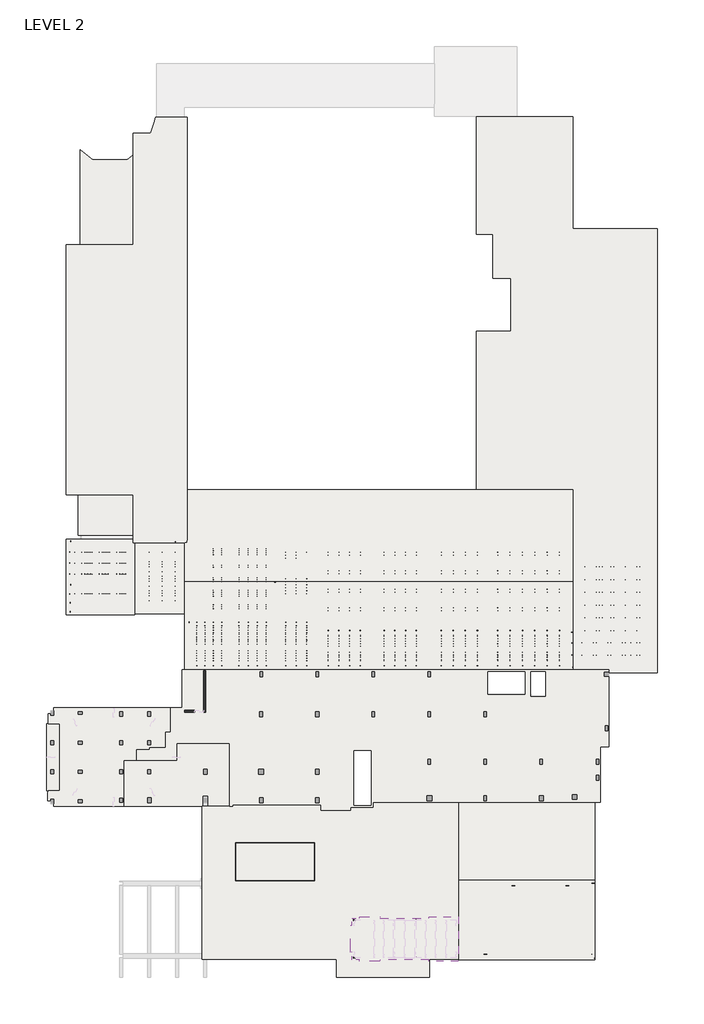
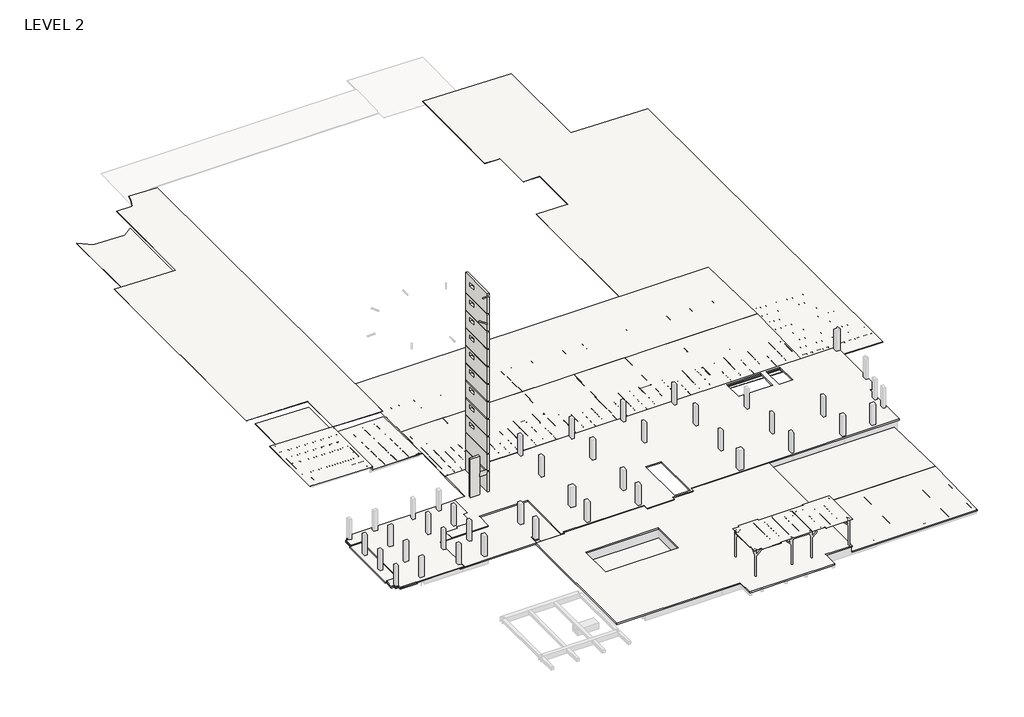
# One storey, part 1 of 67: 16 slabs, 2 walls.
"""IFC4 building model written with IfcOpenShell, lengths in millimetres."""

from ifc_helpers import new_model, si_unit, frame, origin, place, context, project, spatial, polyline, ellipse_curve, outline, extrude, faceted_brep, element, save
from ifc_brep_helpers import plane_surface, revolved_surface, advanced_brep

model = new_model("IFC4")

# Units and contexts
model_context = context("Model", 3, world=origin())
ifc_project = project(units=[si_unit("LENGTHUNIT", "METRE", prefix="MILLI")], contexts=[model_context])

# Site, building, storey
site = spatial("IfcSite", under=ifc_project)
building = spatial("IfcBuilding", under=site)
storey = spatial("IfcBuildingStorey", under=building, Name="LEVEL 2", Elevation=6908.8)

# Slabs
placement = place(None, origin())
element("IfcSlab", 1, ObjectType="1 1/2\" Metal Roof Deck", at=placement, inside=storey, context=model_context, shape_type="Brep", body=[
    faceted_brep([(72822.3139942, 47305.3304562, 5486.3917809), (72822.3139942, -15432.6357149, 5486.3917809), (65967.1210466, -15432.6357149, 5628.7906255), (65357.5210466, -15432.6357149, 5641.4534836), (61458.9889942, -15432.6357149, 5722.4353704), (61458.9889942, -15181.8107149, 5722.4353704), (47228.6389942, -15181.8107149, 6018.0339645), (47228.6389942, 32836.8554562, 6018.0339645), (52105.4389942, 32836.8554562, 5916.7310996), (52105.4389942, 40329.8554562, 5916.7310996), (49590.3086634, 40329.8554562, 5968.9764056), (49590.3086634, 46527.4554562, 5968.9764056), (47228.6389942, 46527.4554562, 6018.0339645), (47228.6389942, 63154.9642851, 6018.0339645), (60893.8389942, 63154.9642851, 5734.1748952), (60893.8389942, 47305.3304562, 5734.1748952), (72822.3139942, 47305.3304562, 5524.5), (60893.8389942, 47305.3304562, 5772.2831142), (60893.8389942, 63154.9642851, 5772.2831142), (47228.6389942, 63154.9642851, 6056.1421836), (47228.6389942, 46527.4554562, 6056.1421836), (49590.3086634, 46527.4554562, 6007.0846246), (49590.3086634, 40329.8554562, 6007.0846246), (52105.4389942, 40329.8554562, 5954.8393187), (52105.4389942, 32836.8554562, 5954.8393187), (47228.6389942, 32836.8554562, 6056.1421836), (47228.6389942, -15181.8107149, 6056.1421836), (61458.9889942, -15181.8107149, 5760.5435895), (61458.9889942, -15432.6357149, 5760.5435895), (65357.5210466, -15432.6357149, 5679.5617026), (65967.1210466, -15432.6357149, 5666.8988445), (72822.3139942, -15432.6357149, 5524.5)], [[[0, 1, 2, 3, 4, 5, 6, 7, 8, 9, 10, 11, 12, 13, 14, 15]], [[16, 17, 18, 19, 20, 21, 22, 23, 24, 25, 26, 27, 28, 29, 30, 31]], [[0, 15, 17, 16]], [[1, 0, 16, 31]], [[7, 6, 26, 25]], [[4, 3, 2, 1, 31, 30, 29, 28]], [[5, 4, 28, 27]], [[6, 5, 27, 26]], [[14, 13, 19, 18]], [[15, 14, 18, 17]], [[8, 7, 25, 24]], [[9, 8, 24, 23]], [[12, 11, 21, 20]], [[13, 12, 20, 19]], [[10, 9, 23, 22]], [[11, 10, 22, 21]]]),
])
element("IfcSlab", 2, ObjectType="1 1/2\" Metal Roof Deck", at=placement, inside=storey, context=model_context, shape_type="Brep", body=[
    faceted_brep([(5979.0389942, -2568.3370771, 6456.2550622), (60893.8389942, -2568.3370771, 6456.2550622), (60893.8389942, -15416.7607149, 6189.3624023), (57191.7889942, -15416.7607149, 6189.3624023), (57191.7889942, -14978.6107149, 6198.4638315), (5979.0389942, -14978.6107149, 6198.4638315), (5979.0389942, -2568.3370771, 6494.3632812), (5979.0389942, -14978.6107149, 6236.5720506), (57191.7889942, -14978.6107149, 6236.5720506), (57191.7889942, -15416.7607149, 6227.4706213), (60893.8389942, -15416.7607149, 6227.4706213), (60893.8389942, -2568.3370771, 6494.3632813)], [[[0, 1, 2, 3, 4, 5]], [[6, 7, 8, 9, 10, 11]], [[1, 0, 6, 11]], [[2, 1, 11, 10]], [[5, 4, 8, 7]], [[0, 5, 7, 6]], [[3, 2, 10, 9]], [[4, 3, 9, 8]]]),
])
element("IfcSlab", 3, ObjectType="1 1/2\" Metal Roof Deck", at=placement, inside=storey, context=model_context, shape_type="SweptSolid", body=[
    extrude(outline(polyline([(5189.5799352, -9096.9263244), (5018.8730309, -878.9610058), (5056.98125, -878.9610058), (5227.6881542, -9096.9263244), (5189.5799352, -9096.9263244)])), frame((0.0, 3991.0717613, 0.0), z_axis=(0.0, 1.0, 0.0), x_axis=(0.0, 0.0, 1.0)), (0.0, 0.0, 1.0), 6315.9650904),
])
element("IfcSlab", 4, ObjectType="1 1/2\" Metal Roof Deck", at=placement, inside=storey, context=model_context, shape_type="AdvancedBrep", body=[
    advanced_brep(
    [(-8803.7610058, 44571.6740607, 5337.0761687), (-8803.7610058, 58472.5349383, 5337.0761687), (-7081.5784016, 57093.8368517, 5301.3022941), (-2194.3447127, 57093.8368517, 5199.7826964), (-802.7610058, 58132.9244754, 5170.8761559), (-802.7610058, 44571.6740607, 5170.8761559), (-8803.7610058, 44571.6740607, 5375.1843877), (-802.7610058, 44571.6740607, 5208.984375), (-802.7610058, 58132.9244754, 5208.984375), (-2194.3447127, 57093.8368517, 5237.8909154), (-7081.5784016, 57093.8368517, 5339.4105131), (-8803.7610058, 58472.5349383, 5375.1843877)],
    [
        (0, 1),
        (1, 2, ellipse_curve(frame((-3887.0722927, 62849.1821264, 5234.9447193), z_axis=(0.02076792491802679, 0.0, 0.9997843233890994), x_axis=(-0.9997843233890995, 0.0, 0.020767924918022193)), 6583.8867401, 6582.4667497)),
        (2, 3),
        (3, 4, ellipse_curve(frame((-5352.7540335, 62775.0661989, 5265.390454), z_axis=(0.02076792491802679, 0.0, 0.9997843233890994), x_axis=(-0.9997843233890995, 0.0, 0.020767924918022193)), 6501.5496408, 6500.1474086)),
        (4, 5),
        (5, 0),
        (6, 7),
        (7, 8),
        (8, 9, ellipse_curve(frame((-5352.7540335, 62775.0661989, 5303.4986731), z_axis=(-0.02076792491802679, 0.0, -0.9997843233890994), x_axis=(-0.9997843233890995, 0.0, 0.020767924918022193)), 6501.5496408, 6500.1474086)),
        (9, 10),
        (10, 11, ellipse_curve(frame((-3887.0722927, 62849.1821264, 5273.0529383), z_axis=(-0.02076792491802679, 0.0, -0.9997843233890994), x_axis=(-0.9997843233890995, 0.0, 0.020767924918022193)), 6583.8867401, 6582.4667497)),
        (11, 6),
        (5, 7),
        (6, 0),
        (4, 8),
        (11, 1),
        (10, 2),
        (3, 9),
    ],
    [
        plane_surface(frame((-802.7610058, 52174.3203864, 5170.8761559), z_axis=(-0.02076792491802679, 0.0, -0.9997843233890994), x_axis=(-0.9997843233890994, 0.0, 0.02076792491802679))),
        plane_surface(frame((-802.7610058, 52174.3203864, 5208.984375), z_axis=(0.02076792491802679, 0.0, 0.9997843233890994), x_axis=(0.9997843233890994, 0.0, -0.02076792491802679))),
        plane_surface(frame((-802.7610058, 44571.6740607, 5170.8761559), z_axis=(0.0, -1.0, 0.0), x_axis=(0.0, 0.0, 1.0))),
        plane_surface(frame((-802.7610058, 58132.9244754, 5170.8761559), z_axis=(1.0, 0.0, 0.0), x_axis=(0.0, 0.0, 1.0))),
        plane_surface(frame((-8803.7610058, 44571.6740607, 5337.0761687), z_axis=(-1.0, 0.0, 0.0), x_axis=(0.0, 0.0, 1.0))),
        revolved_surface(polyline([(2695.394457, 62849.1821264, 5409.786603787159), (2695.394457, 62849.1821264, 5098.211053812841)]), (-3887.0722927, 62849.1821264, 5208.984375), (0.0, 0.0, 1.0)),
        revolved_surface(polyline([(1147.3933750999995, 62775.0661989, 5438.522367890929), (1147.3933750999995, 62775.0661989, 5130.3667592090715)]), (-5352.7540335, 62775.0661989, 5208.984375), (0.0, 0.0, 1.0)),
        plane_surface(frame((-7081.5784016, 57093.8368517, 5301.3022941), z_axis=(0.0, 1.0, 0.0), x_axis=(0.0, 0.0, 1.0))),
    ],
    [
        (0, [[1, 2, 3, 4, 5, 6]]),
        (1, [[7, 8, 9, 10, 11, 12]]),
        (2, [[-6, 13, -7, 14]]),
        (3, [[-5, 15, -8, -13]]),
        (4, [[-1, -14, -12, 16]]),
        (5, [[-2, -16, -11, 17]]),
        (6, [[-4, 18, -9, -15]]),
        (7, [[-3, -17, -10, -18]]),
    ],
),
])
element("IfcSlab", 5, ObjectType="1 1/2\" Metal Roof Deck", at=placement, inside=storey, context=model_context, shape_type="AdvancedBrep", body=[
    advanced_brep(
    [(6283.8389942, 63119.9868517, 6334.9529113), (6283.8389942, 2909.2344183, 6334.9529113), (-1320.2860058, 2909.2344183, 6492.9088757), (-1320.2860058, 9729.1344183, 6492.9088757), (-10818.6564917, 9729.1344183, 6690.2128747), (-10818.6564917, 45060.5716273, 6690.2128747), (-1320.2860058, 45060.5716273, 6492.9088757), (-1320.2860058, 60837.506673, 6492.9088757), (1122.1421375, 60837.506673, 6442.1737691), (1666.1723292, 62290.1546615, 6430.8729536), (1894.3072576, 63119.9868517, 6426.1340424), (6283.8389942, 63119.9868517, 6373.0611303), (1894.3072576, 63119.9868517, 6464.2422615), (1666.1723292, 62290.1546615, 6468.9811726), (1122.1421375, 60837.506673, 6480.2819881), (-1320.2860058, 60837.506673, 6531.0170948), (-1320.2860058, 45060.5716273, 6531.0170948), (-10818.6564917, 45060.5716273, 6728.3210938), (-10818.6564917, 9729.1344183, 6728.3210938), (-1320.2860058, 9729.1344183, 6531.0170948), (-1320.2860058, 2909.2344183, 6531.0170948), (6283.8389942, 2909.2344183, 6373.0611303)],
    [
        (0, 1),
        (1, 2),
        (2, 3),
        (3, 4),
        (4, 5),
        (5, 6),
        (6, 7),
        (7, 8),
        (8, 9, ellipse_curve(frame((-8146.0418853, 65136.7240295, 6634.6962416), z_axis=(0.02076792491802679, 0.0, 0.9997843233890994), x_axis=(-0.9997843233890995, 0.0, 0.020767924918022193)), 10218.9796584, 10216.7756635)),
        (9, 10, ellipse_curve(frame((-27717.7211541, 70814.5599868, 7041.2470907), z_axis=(0.02076792491802679, 0.0, 0.9997843233890994), x_axis=(-0.9997843233890995, 0.0, 0.020767924918022193)), 30602.003098, 30595.4029617)),
        (10, 0),
        (11, 12),
        (12, 13, ellipse_curve(frame((-27717.7211541, 70814.5599868, 7079.3553097), z_axis=(-0.02076792491802679, 0.0, -0.9997843233890994), x_axis=(-0.9997843233890995, 0.0, 0.020767924918022193)), 30602.003098, 30595.4029617)),
        (13, 14, ellipse_curve(frame((-8146.0418853, 65136.7240295, 6672.8044606), z_axis=(-0.02076792491802679, 0.0, -0.9997843233890994), x_axis=(-0.9997843233890995, 0.0, 0.020767924918022193)), 10218.9796584, 10216.7756635)),
        (14, 15),
        (15, 16),
        (16, 17),
        (17, 18),
        (18, 19),
        (19, 20),
        (20, 21),
        (21, 11),
        (0, 11),
        (21, 1),
        (20, 2),
        (19, 3),
        (18, 4),
        (17, 5),
        (16, 6),
        (15, 7),
        (10, 12),
        (8, 14),
        (13, 9),
    ],
    [
        plane_surface(frame((-10818.6564917, 25833.0891273, 6690.2128747), z_axis=(-0.02076792491802679, 0.0, -0.9997843233890994), x_axis=(0.9997843233890994, 0.0, -0.02076792491802679))),
        plane_surface(frame((-10818.6564917, 25833.0891273, 6728.3210938), z_axis=(0.02076792491802679, 0.0, 0.9997843233890994), x_axis=(-0.9997843233890994, 0.0, 0.02076792491802679))),
        plane_surface(frame((6283.8389942, 63119.9868517, 6334.9529113), z_axis=(1.0, 0.0, 0.0), x_axis=(0.0, 0.0, 1.0))),
        plane_surface(frame((6283.8389942, 2909.2344183, 6334.9529113), z_axis=(0.0, -1.0, 0.0), x_axis=(0.0, 0.0, 1.0))),
        plane_surface(frame((-1320.2860058, 2909.2344183, 6492.9088757), z_axis=(-1.0, 0.0, 0.0), x_axis=(0.0, 0.0, 1.0))),
        plane_surface(frame((-1320.2860058, 9729.1344183, 6492.9088757), z_axis=(0.0, -1.0, 0.0), x_axis=(0.0, 0.0, 1.0))),
        plane_surface(frame((-10818.6564917, 9729.1344183, 6690.2128747), z_axis=(-1.0, 0.0, 0.0), x_axis=(0.0, 0.0, 1.0))),
        plane_surface(frame((-10818.6564917, 45060.5716273, 6690.2128747), z_axis=(0.0, 1.0, 0.0), x_axis=(0.0, 0.0, 1.0))),
        plane_surface(frame((-1320.2860058, 45060.5716273, 6492.9088757), z_axis=(-1.0, 0.0, 0.0), x_axis=(0.0, 0.0, 1.0))),
        plane_surface(frame((1894.3072576, 63119.9868517, 6426.1340424), z_axis=(0.0, 1.0, 0.0), x_axis=(0.0, 0.0, 1.0))),
        revolved_surface(polyline([(2070.7337782000004, 65136.7240295, 6885.031462884448), (2070.7337782000004, 65136.7240295, 6422.469239315553)]), (-8146.0418853, 65136.7240295, 6372.7210938), (0.0, 0.0, 1.0)),
        revolved_surface(polyline([(2877.681807600002, 70814.5599868, 7714.895412380347), (2877.681807600002, 70814.5599868, 6405.706988019653)]), (-27717.7211541, 70814.5599868, 6372.7210938), (0.0, 0.0, 1.0)),
        plane_surface(frame((-1320.2860058, 60837.506673, 6492.9088757), z_axis=(0.0, 1.0, 0.0), x_axis=(0.0, 0.0, 1.0))),
    ],
    [
        (0, [[1, 2, 3, 4, 5, 6, 7, 8, 9, 10, 11]]),
        (1, [[12, 13, 14, 15, 16, 17, 18, 19, 20, 21, 22]]),
        (2, [[-1, 23, -22, 24]]),
        (3, [[-2, -24, -21, 25]]),
        (4, [[-3, -25, -20, 26]]),
        (5, [[-4, -26, -19, 27]]),
        (6, [[-5, -27, -18, 28]]),
        (7, [[-6, -28, -17, 29]]),
        (8, [[-7, -29, -16, 30]]),
        (9, [[-11, 31, -12, -23]]),
        (10, [[-9, 32, -14, 33]]),
        (11, [[-10, -33, -13, -31]]),
        (12, [[-8, -30, -15, -32]]),
    ],
),
])
element("IfcSlab", 6, ObjectType="1 1/2\" Metal Roof Deck", at=placement, inside=storey, context=model_context, shape_type="Brep", body=[
    faceted_brep([(6283.8389942, 10459.4368517, 6185.4384279), (60893.8389942, 10459.4368517, 6185.4384279), (60893.8389942, -2568.3370771, 6456.0566247), (5979.0389942, -2568.3370771, 6456.0566247), (5979.0389942, 2909.2344183, 6342.274291), (6283.8389942, 2909.2344183, 6342.274291), (6283.8389942, 10459.4368517, 6223.5466469), (6283.8389942, 2909.2344183, 6380.38251), (5979.0389942, 2909.2344183, 6380.38251), (5979.0389942, -2568.3370771, 6494.1648438), (60893.8389942, -2568.3370771, 6494.1648438), (60893.8389942, 10459.4368517, 6223.5466469)], [[[0, 1, 2, 3, 4, 5]], [[6, 7, 8, 9, 10, 11]], [[1, 0, 6, 11]], [[2, 1, 11, 10]], [[3, 2, 10, 9]], [[4, 3, 9, 8]], [[5, 4, 8, 7]], [[0, 5, 7, 6]]]),
])
element("IfcSlab", 7, ObjectType="1 1/2\" Metal Roof Deck", at=placement, inside=storey, context=model_context, shape_type="SweptSolid", body=[
    extrude(outline(polyline([(6294.0324059, -10826.2360058), (6091.8883429, -1094.8610058), (6129.9965619, -1094.8610058), (6332.140625, -10826.2360058), (6294.0324059, -10826.2360058)])), frame((0.0, -7260.1485059, 0.0), z_axis=(0.0, 1.0, 0.0), x_axis=(0.0, 0.0, 1.0)), (0.0, 0.0, 1.0), 10699.712791),
])
element("IfcSlab", 8, ObjectType="1 1/2\" Metal Roof Deck", at=placement, inside=storey, context=model_context, shape_type="SweptSolid", body=[
    extrude(outline(polyline([(3144.2368517, 5283.8863122), (-7110.9235059, 5496.9106569), (-7110.9235059, 5535.0188759), (3144.2368517, 5321.9945313), (3144.2368517, 5283.8863122)])), frame((-1094.8610058, 0.0, 0.0), z_axis=(1.0, 0.0, 0.0), x_axis=(0.0, 1.0, 0.0)), (0.0, 0.0, 1.0), 7581.9),
])
element("IfcSlab", 9, ObjectType="1 1/2\" Metal Roof Deck", at=placement, inside=storey, context=model_context, shape_type="SweptSolid", body=[
    extrude(outline(polyline([(29451.8294227, -54989.9607149), (29451.8294227, -51129.1607149), (29667.7294227, -51129.1607149), (29667.7294227, -50117.9232149), (30671.0294227, -50117.9232149), (30671.0294227, -49909.9607149), (33617.4294227, -49909.9607149), (33617.4294227, -50124.2732149), (40526.2139942, -50124.2732149), (40526.2139942, -49909.9607149), (44691.8139942, -49909.9607149), (44691.8139942, -56209.1607149), (40526.2139942, -56209.1607149), (40526.2139942, -55999.6107149), (33617.4294227, -55999.6107149), (33617.4294227, -56209.1607149), (30671.0294227, -56209.1607149), (30671.0294227, -55999.6107149), (29667.7294227, -55999.6107149), (29667.7294227, -54989.9607149), (29451.8294227, -54989.9607149)])), frame((0.0, 0.0, 11176.0), z_axis=(0.0, 0.0, 1.0), x_axis=(1.0, 0.0, 0.0)), (0.0, 0.0, 1.0), 38.1),
])
element("IfcSlab", 10, ObjectType="5\" Concrete", at=placement, inside=storey, context=model_context, shape_type="Brep", body=[
    faceted_brep([(64021.2139942, -44690.2531028, 5918.1726032), (64021.2139942, -56012.3107149, 5682.9862366), (44691.8139942, -56012.3107149, 5682.9862366), (44691.8139942, -45598.3107149, 5899.3100626), (44691.8139942, -44836.3107149, 5915.1386353), (44691.8139942, -44690.2531028, 5918.1726032), (64021.2139942, -44690.2531028, 6045.2), (44691.8139942, -44690.2531028, 6045.2), (44691.8139942, -56012.3107149, 5810.0136334), (64021.2139942, -56012.3107149, 5810.0136334)], [[[0, 1, 2, 3, 4, 5]], [[6, 7, 8, 9]], [[1, 0, 6, 9]], [[2, 1, 9, 8]], [[5, 4, 3, 2, 8, 7]], [[0, 5, 7, 6]]]),
])
element("IfcSlab", 11, ObjectType="5\" Concrete", at=placement, inside=storey, context=model_context, shape_type="Brep", body=[
    faceted_brep([(64021.2139942, -44690.2531028, 5918.1726032), (44691.8139942, -44690.2531028, 5918.1726032), (44691.8139942, -33774.6107149, 5691.4284582), (48295.4389942, -33774.6107149, 5691.4284582), (48701.8389942, -33774.6107149, 5691.4284582), (52257.8389942, -33774.6107149, 5691.4284582), (52664.2389942, -33774.6107149, 5691.4284582), (56220.2389942, -33774.6107149, 5691.4284582), (56626.6389942, -33774.6107149, 5691.4284582), (59877.8389942, -33774.6107149, 5691.4284582), (60284.2389942, -33774.6107149, 5691.4284582), (63535.4389942, -33774.6107149, 5691.4284582), (63941.8389942, -33774.6107149, 5691.4284582), (64021.2139942, -33774.6107149, 5691.4284582), (64021.2139942, -44690.2531028, 6045.2), (64021.2139942, -33774.6107149, 5818.455855), (44691.8139942, -33774.6107149, 5818.455855), (44691.8139942, -44690.2531028, 6045.2)], [[[0, 1, 2, 3, 4, 5, 6, 7, 8, 9, 10, 11, 12, 13]], [[14, 15, 16, 17]], [[1, 0, 14, 17]], [[2, 1, 17, 16]], [[13, 12, 11, 10, 9, 8, 7, 6, 5, 4, 3, 2, 16, 15]], [[0, 13, 15, 14]]]),
])
element("IfcSlab", 12, ObjectType="5\" slab", at=placement, inside=storey, context=model_context, shape_type="Brep", body=[
    faceted_brep([(-2685.5360058, -34346.0810305, 6731.0), (-12548.6735058, -34346.0810305, 6731.0), (-12548.6735058, -33939.7107149, 6731.0), (-12969.3610058, -33939.7107149, 6731.0), (-12969.3610058, -33533.2810305, 6731.0), (-13413.8610058, -33533.2810305, 6731.0), (-13413.8610058, -32364.8962548, 6731.0), (-13326.9013218, -32364.8962548, 6731.0), (-13326.9013218, -32148.9962548, 6731.0), (-11712.0610058, -32148.9962548, 6731.0), (-11712.0610058, -22623.9962548, 6731.0), (-13326.9013218, -22623.9962548, 6731.0), (-13326.9013218, -22408.0962548, 6731.0), (-13363.0610058, -22408.0962548, 6731.0), (-13363.0610058, -21239.7403994, 6731.0), (-12969.3610058, -21239.7403994, 6731.0), (-12969.3610058, -20833.3107149, 6731.0), (-12550.2610058, -20833.3107149, 6731.0), (-12550.2610058, -20426.9403994, 6731.0), (3947.0389942, -20426.9403994, 6731.0), (3947.0389942, -23865.4212939, 6731.0), (3304.1014942, -23865.4212939, 6731.0), (3304.1014942, -26014.8962939, 6731.0), (1018.1014942, -26014.8962939, 6731.0), (1018.1014942, -26319.6962939, 6731.0), (-836.8922558, -26319.6962939, 6731.0), (-836.8922558, -27843.7107149, 6731.0), (-2685.5360058, -27843.7107149, 6731.0), (-2685.5360058, -28986.7107149, 6731.0), (-2685.5360058, -29901.1107149, 6731.0), (-2685.5360058, -33025.3107149, 6731.0), (-2685.5360058, -33939.7107149, 6731.0), (-2685.5360058, -34346.0810305, 6858.0), (-2685.5360058, -33939.7107149, 6858.0), (-2685.5360058, -33025.3107149, 6858.0), (-2685.5360058, -29901.1107149, 6858.0), (-2685.5360058, -28986.7107149, 6858.0), (-2685.5360058, -27843.7107149, 6858.0), (-836.8922558, -27843.7107149, 6858.0), (-836.8922558, -26319.6962939, 6858.0), (1018.1014942, -26319.6962939, 6858.0), (1018.1014942, -26014.8962939, 6858.0), (3304.1014942, -26014.8962939, 6858.0), (3304.1014942, -23865.4212939, 6858.0), (3947.0389942, -23865.4212939, 6858.0), (3947.0389942, -20426.9403994, 6858.0), (-12550.2610058, -20426.9403994, 6858.0), (-12550.2610058, -20833.3107149, 6858.0), (-12562.9610058, -20833.3107149, 6858.0), (-12969.3610058, -20833.3107149, 6858.0), (-12969.3610058, -21239.7403994, 6858.0), (-13363.0610058, -21239.7403994, 6858.0), (-13363.0610058, -22408.0962548, 6858.0), (-13326.9013218, -22408.0962548, 6858.0), (-13326.9013218, -22623.9962548, 6858.0), (-11712.0610058, -22623.9962548, 6858.0), (-11712.0610058, -32148.9962548, 6858.0), (-13326.9013218, -32148.9962548, 6858.0), (-13326.9013218, -32364.8962548, 6858.0), (-13413.8610058, -32364.8962548, 6858.0), (-13413.8610058, -33533.2810305, 6858.0), (-12969.3610058, -33533.2810305, 6858.0), (-12969.3610058, -33939.7107149, 6858.0), (-12562.9610058, -33939.7107149, 6858.0), (-12548.6735058, -33939.7107149, 6858.0), (-12548.6735058, -34346.0810305, 6858.0)], [[[0, 1, 2, 3, 4, 5, 6, 7, 8, 9, 10, 11, 12, 13, 14, 15, 16, 17, 18, 19, 20, 21, 22, 23, 24, 25, 26, 27, 28, 29, 30, 31]], [[32, 33, 34, 35, 36, 37, 38, 39, 40, 41, 42, 43, 44, 45, 46, 47, 48, 49, 50, 51, 52, 53, 54, 55, 56, 57, 58, 59, 60, 61, 62, 63, 64, 65]], [[20, 19, 45, 44]], [[21, 20, 44, 43]], [[22, 21, 43, 42]], [[23, 22, 42, 41]], [[24, 23, 41, 40]], [[25, 24, 40, 39]], [[26, 25, 39, 38]], [[27, 26, 38, 37]], [[0, 31, 30, 29, 28, 27, 37, 36, 35, 34, 33, 32]], [[1, 0, 32, 65]], [[10, 9, 56, 55]], [[2, 1, 65, 64]], [[3, 2, 64, 63, 62]], [[4, 3, 62, 61]], [[5, 4, 61, 60]], [[6, 5, 60, 59]], [[9, 8, 57, 56]], [[11, 10, 55, 54]], [[14, 13, 52, 51]], [[15, 14, 51, 50]], [[16, 15, 50, 49]], [[17, 16, 49, 48, 47]], [[18, 17, 47, 46]], [[7, 6, 59, 58]], [[8, 7, 58, 57]], [[12, 11, 54, 53]], [[13, 12, 53, 52]], [[19, 18, 46, 45]]]),
])
element("IfcSlab", 13, ObjectType="7\" Concrete", at=placement, inside=storey, context=model_context, shape_type="Brep", body=[
    faceted_brep([(64773.6889942, -25894.2607149, 6731.0), (64773.6889942, -33774.6107149, 6731.0), (44658.4764942, -33774.6107149, 6731.0), (43896.4764942, -33774.6107149, 6731.0), (40878.6389942, -33774.6107149, 6731.0), (40269.0389942, -33774.6107149, 6731.0), (36535.2389942, -33774.6107149, 6731.0), (35773.2389942, -33774.6107149, 6731.0), (33411.0389942, -33774.6107149, 6731.0), (32801.4389942, -33774.6107149, 6731.0), (32604.5889942, -33774.6107149, 6731.0), (32604.5889942, -34485.8107149, 6731.0), (29753.4389942, -34485.8107149, 6731.0), (29448.6389942, -34485.8107149, 6731.0), (29448.6389942, -34917.6107149, 6731.0), (29143.8389942, -34917.6107149, 6731.0), (25232.2386818, -34917.6107149, 6731.0), (25232.2386818, -34104.8107149, 6731.0), (25029.0389942, -34104.8107149, 6731.0), (24419.4389942, -34104.8107149, 6731.0), (21556.0095314, -34104.8107149, 6731.0), (20946.4095314, -34104.8107149, 6731.0), (17104.2389942, -34104.8107149, 6731.0), (16494.6389942, -34104.8107149, 6731.0), (12760.8386818, -34104.8107149, 6731.0), (12760.8386818, -34346.0810305, 6731.0), (12316.3389942, -34346.0810305, 6731.0), (12316.3389942, -25405.3107149, 6731.0), (4843.9764942, -25405.3107149, 6731.0), (4843.9764942, -27843.7107149, 6731.0), (-836.8922558, -27843.7107149, 6731.0), (-836.8922558, -26319.6962939, 6731.0), (1018.1014942, -26319.6962939, 6731.0), (1018.1014942, -26014.8962939, 6731.0), (3304.1014942, -26014.8962939, 6731.0), (3304.1014942, -23865.4212939, 6731.0), (3947.0389942, -23865.4212939, 6731.0), (3947.0389942, -20426.9403994, 6731.0), (5572.6389942, -20426.9403994, 6731.0), (5572.6389942, -15054.8107149, 6731.0), (12532.2389942, -15054.8107149, 6731.0), (25029.0389942, -15054.8107149, 6731.0), (65959.5514942, -15054.8107149, 6731.0), (65959.5514942, -15348.3627877, 6731.0), (65959.5514942, -15957.9627877, 6731.0), (65959.5514942, -25894.2607149, 6731.0), (29912.1889942, -34181.7272222, 6731.0), (32299.7889942, -34181.7272222, 6731.0), (32299.7889942, -26487.2692077, 6731.0), (29912.1889942, -26487.2692077, 6731.0), (54078.7014942, -15334.2107149, 6731.0), (48846.3014942, -15334.2107149, 6731.0), (48846.3014942, -18511.7121146, 6731.0), (54066.0014942, -18511.7121146, 6731.0), (54078.7014942, -18511.7121146, 6731.0), (54078.7014942, -18315.5357149, 6731.0), (57025.1014942, -15334.2107149, 6731.0), (54933.1413578, -15334.2107149, 6731.0), (54933.1413578, -18744.1607149, 6731.0), (57025.1014942, -18744.1607149, 6731.0), (64773.6889942, -33774.6107149, 6908.8), (64773.6889942, -25894.2607149, 6908.8), (65959.5514942, -25894.2607149, 6908.8), (65959.5514942, -15957.9627877, 6908.8), (65959.5514942, -15348.3627877, 6908.8), (65959.5514942, -15054.8107149, 6908.8), (25029.0389942, -15054.8107149, 6908.8), (12532.2389942, -15054.8107149, 6908.8), (5572.6389942, -15054.8107149, 6908.8), (5572.6389942, -20426.9403994, 6908.8), (3947.0389942, -20426.9403994, 6908.8), (3947.0389942, -23865.4212939, 6908.8), (3304.1014942, -23865.4212939, 6908.8), (3304.1014942, -26014.8962939, 6908.8), (1018.1014942, -26014.8962939, 6908.8), (1018.1014942, -26319.6962939, 6908.8), (-836.8922558, -26319.6962939, 6908.8), (-836.8922558, -27843.7107149, 6908.8), (4843.9764942, -27843.7107149, 6908.8), (4843.9764942, -25405.3107149, 6908.8), (12316.3389942, -25405.3107149, 6908.8), (12316.3389942, -34346.0810305, 6908.8), (12760.8386818, -34346.0810305, 6908.8), (12760.8386818, -34104.8107149, 6908.8), (25232.2386818, -34104.8107149, 6908.8), (25232.2386818, -34917.6107149, 6908.8), (29448.6389942, -34917.6107149, 6908.8), (29448.6389942, -34485.8107149, 6908.8), (32604.5889942, -34485.8107149, 6908.8), (32604.5889942, -33774.6107149, 6908.8), (32299.7889942, -34181.7272222, 6908.8), (29912.1889942, -34181.7272222, 6908.8), (29912.1889942, -26487.2692077, 6908.8), (32299.7889942, -26487.2692077, 6908.8), (48846.3014942, -15334.2107149, 6908.8), (54078.7014942, -15334.2107149, 6908.8), (54078.7014942, -18511.7121146, 6908.8), (54066.0014942, -18511.7121146, 6908.8), (48846.3014942, -18511.7121146, 6908.8), (54933.1413578, -15334.2107149, 6908.8), (57025.1014942, -15334.2107149, 6908.8), (57025.1014942, -18744.1607149, 6908.8), (54933.1413578, -18744.1607149, 6908.8)], [[[0, 1, 2, 3, 4, 5, 6, 7, 8, 9, 10, 11, 12, 13, 14, 15, 16, 17, 18, 19, 20, 21, 22, 23, 24, 25, 26, 27, 28, 29, 30, 31, 32, 33, 34, 35, 36, 37, 38, 39, 40, 41, 42, 43, 44, 45], [46, 47, 48, 49], [50, 51, 52, 53, 54, 55], [56, 57, 58, 59]], [[60, 61, 62, 63, 64, 65, 66, 67, 68, 69, 70, 71, 72, 73, 74, 75, 76, 77, 78, 79, 80, 81, 82, 83, 84, 85, 86, 87, 88, 89], [90, 91, 92, 93], [94, 95, 96, 97, 98], [99, 100, 101, 102]], [[1, 0, 61, 60]], [[46, 91, 90, 47]], [[47, 90, 93, 48]], [[48, 93, 92, 49]], [[91, 46, 49, 92]], [[10, 9, 8, 7, 6, 5, 4, 3, 2, 1, 60, 89]], [[16, 15, 14, 86, 85]], [[17, 16, 85, 84]], [[24, 23, 22, 21, 20, 19, 18, 17, 84, 83]], [[38, 37, 70, 69]], [[39, 38, 69, 68]], [[50, 95, 94, 51]], [[51, 94, 98, 52]], [[52, 98, 97, 96, 54, 53]], [[95, 50, 55, 54, 96]], [[42, 41, 40, 39, 68, 67, 66, 65]], [[45, 44, 43, 42, 65, 64, 63, 62]], [[0, 45, 62, 61]], [[56, 100, 99, 57]], [[57, 99, 102, 58]], [[58, 102, 101, 59]], [[100, 56, 59, 101]], [[27, 26, 81, 80]], [[28, 27, 80, 79]], [[29, 28, 79, 78]], [[30, 29, 78, 77]], [[31, 30, 77, 76]], [[32, 31, 76, 75]], [[33, 32, 75, 74]], [[34, 33, 74, 73]], [[35, 34, 73, 72]], [[36, 35, 72, 71]], [[37, 36, 71, 70]], [[11, 10, 89, 88]], [[13, 12, 11, 88, 87]], [[14, 13, 87, 86]], [[25, 24, 83, 82]], [[26, 25, 82, 81]]]),
])
element("IfcSlab", 14, ObjectType="7\" Concrete", at=placement, inside=storey, context=model_context, shape_type="Brep", body=[
    faceted_brep([(-3295.1360058, -26624.5107149, 6553.2), (4234.3764942, -26624.5107149, 6553.2), (4234.3764942, -23576.5107149, 6553.2), (13192.6389942, -23576.5107149, 6553.2), (13192.6389942, -28834.2962158, 6553.2), (13192.6389942, -29088.2962158, 6553.2), (13192.6389942, -29799.4962158, 6553.2), (13192.6389942, -30053.4962158, 6553.2), (13192.6389942, -32872.9107149, 6553.2), (13192.6389942, -34092.1107149, 6553.2), (13192.6389942, -34104.8107149, 6553.2), (12760.8386818, -34104.8107149, 6553.2), (12760.8386818, -34346.0810305, 6553.2), (-3295.1360058, -34346.0810305, 6553.2), (-3295.1360058, -33939.7107149, 6553.2), (-3295.1360058, -33025.3107149, 6553.2), (-3295.1360058, -29901.1107149, 6553.2), (-3295.1360058, -28986.7107149, 6553.2), (-3295.1360058, -26624.5107149, 6731.0), (-3295.1360058, -28986.7107149, 6731.0), (-3295.1360058, -29901.1107149, 6731.0), (-3295.1360058, -33025.3107149, 6731.0), (-3295.1360058, -33939.7107149, 6731.0), (-3295.1360058, -34346.0810305, 6731.0), (8569.8389942, -34346.0810305, 6731.0), (9179.4389942, -34346.0810305, 6731.0), (12760.8386818, -34346.0810305, 6731.0), (12760.8386818, -34104.8107149, 6731.0), (13192.6389942, -34104.8107149, 6731.0), (13192.6389942, -34092.1107149, 6731.0), (13192.6389942, -32872.9107149, 6731.0), (13192.6389942, -30053.4962158, 6731.0), (13192.6389942, -28834.2962158, 6731.0), (13192.6389942, -23576.5107149, 6731.0), (4234.3764942, -23576.5107149, 6731.0), (4234.3764942, -26624.5107149, 6731.0)], [[[0, 1, 2, 3, 4, 5, 6, 7, 8, 9, 10, 11, 12, 13, 14, 15, 16, 17]], [[18, 19, 20, 21, 22, 23, 24, 25, 26, 27, 28, 29, 30, 31, 32, 33, 34, 35]], [[1, 0, 18, 35]], [[2, 1, 35, 34]], [[3, 2, 34, 33]], [[10, 9, 8, 7, 6, 5, 4, 3, 33, 32, 31, 30, 29, 28]], [[13, 12, 26, 25, 24, 23]], [[0, 17, 16, 15, 14, 13, 23, 22, 21, 20, 19, 18]], [[11, 10, 28, 27]], [[12, 11, 27, 26]]]),
    faceted_brep([(-9883.2610058, -34346.0810305, 6553.2), (-12548.6735058, -34346.0810305, 6553.2), (-12548.6735058, -33939.7107149, 6553.2), (-12562.9610058, -33939.7107149, 6553.2), (-12969.3610058, -33939.7107149, 6553.2), (-12969.3610058, -33533.2810305, 6553.2), (-13413.8610058, -33533.2810305, 6553.2), (-13413.8610058, -32364.8962548, 6553.2), (-13326.9013218, -32364.8962548, 6553.2), (-13326.9013218, -32148.9810305, 6553.2), (-13578.9610058, -32148.9810305, 6553.2), (-13578.9610058, -22623.9962548, 6553.2), (-13326.9013218, -22623.9962548, 6553.2), (-13326.9013218, -22408.0962548, 6553.2), (-13363.0610058, -22408.0962548, 6553.2), (-13363.0610058, -21239.7403994, 6553.2), (-12969.3610058, -21239.7403994, 6553.2), (-12969.3610058, -20833.3107149, 6553.2), (-12562.9610058, -20833.3107149, 6553.2), (-12550.2610058, -20833.3107149, 6553.2), (-12550.2610058, -20426.9403994, 6553.2), (-9883.2610058, -20426.9403994, 6553.2), (-9883.2610058, -34346.0810305, 6731.0), (-9883.2610058, -20426.9403994, 6731.0), (-12550.2610058, -20426.9403994, 6731.0), (-12550.2610058, -20833.3107149, 6731.0), (-12969.3610058, -20833.3107149, 6731.0), (-12969.3610058, -21239.7403994, 6731.0), (-13363.0610058, -21239.7403994, 6731.0), (-13363.0610058, -22408.0962548, 6731.0), (-13326.9013218, -22408.0962548, 6731.0), (-13326.9013218, -22623.9962548, 6731.0), (-13578.9610058, -22623.9962548, 6731.0), (-13578.9610058, -32148.9810305, 6731.0), (-13326.9013218, -32148.9810305, 6731.0), (-13326.9013218, -32364.8962548, 6731.0), (-13413.8610058, -32364.8962548, 6731.0), (-13413.8610058, -33533.2810305, 6731.0), (-12969.3610058, -33533.2810305, 6731.0), (-12969.3610058, -33939.7107149, 6731.0), (-12548.6735058, -33939.7107149, 6731.0), (-12548.6735058, -34346.0810305, 6731.0)], [[[0, 1, 2, 3, 4, 5, 6, 7, 8, 9, 10, 11, 12, 13, 14, 15, 16, 17, 18, 19, 20, 21]], [[22, 23, 24, 25, 26, 27, 28, 29, 30, 31, 32, 33, 34, 35, 36, 37, 38, 39, 40, 41]], [[0, 21, 23, 22]], [[15, 14, 29, 28]], [[1, 0, 22, 41]], [[2, 1, 41, 40]], [[4, 3, 2, 40, 39]], [[5, 4, 39, 38]], [[6, 5, 38, 37]], [[16, 15, 28, 27]], [[17, 16, 27, 26]], [[19, 18, 17, 26, 25]], [[20, 19, 25, 24]], [[21, 20, 24, 23]], [[7, 6, 37, 36]], [[8, 7, 36, 35]], [[9, 8, 35, 34]], [[10, 9, 34, 33]], [[11, 10, 33, 32]], [[12, 11, 32, 31]], [[13, 12, 31, 30]], [[14, 13, 30, 29]]]),
])
element("IfcSlab", 15, ObjectType="8\" Concrete", at=placement, inside=storey, context=model_context, shape_type="Brep", body=[
    faceted_brep([(44691.8139942, -33774.6107149, 6553.2), (44691.8139942, -55967.8454906, 6553.2), (40573.8389942, -55967.8454906, 6553.2), (40573.8389942, -58501.4954906, 6553.2), (40269.0389942, -58501.4954906, 6553.2), (36306.6389942, -58501.4954906, 6553.2), (36001.8389942, -58501.4954906, 6553.2), (33258.6389942, -58501.4954906, 6553.2), (32953.8389942, -58501.4954906, 6553.2), (29518.4889942, -58501.4954906, 6553.2), (29213.6889942, -58501.4954906, 6553.2), (27759.5389942, -58501.4954906, 6553.2), (27454.7389942, -58501.4954906, 6553.2), (27454.7389942, -55967.8454906, 6553.2), (8415.8514942, -55967.8454906, 6553.2), (8415.8514942, -34346.0810305, 6553.2), (12760.8386818, -34346.0810305, 6553.2), (12760.8386818, -34104.8107149, 6553.2), (16494.6389942, -34104.8107149, 6553.2), (17104.2389942, -34104.8107149, 6553.2), (20946.4095314, -34104.8107149, 6553.2), (21556.0095314, -34104.8107149, 6553.2), (24419.4389942, -34104.8107149, 6553.2), (25029.0389942, -34104.8107149, 6553.2), (25232.2386818, -34104.8107149, 6553.2), (25232.2386818, -34917.6107149, 6553.2), (29143.8389942, -34917.6107149, 6553.2), (29448.6389942, -34917.6107149, 6553.2), (29448.6389942, -34485.8107149, 6553.2), (29454.9889942, -34485.8107149, 6553.2), (32604.5889942, -34485.8107149, 6553.2), (32604.5889942, -33774.6107149, 6553.2), (32801.4389942, -33774.6107149, 6553.2), (33411.0389942, -33774.6107149, 6553.2), (35773.2389942, -33774.6107149, 6553.2), (36535.2389942, -33774.6107149, 6553.2), (40269.0389942, -33774.6107149, 6553.2), (40878.6389942, -33774.6107149, 6553.2), (43896.4764942, -33774.6107149, 6553.2), (44658.4764942, -33774.6107149, 6553.2), (13141.8389942, -39502.3107149, 6553.2), (13141.8389942, -44836.3107149, 6553.2), (24343.2389942, -44836.3107149, 6553.2), (24343.2389942, -39502.3107149, 6553.2), (44691.8139942, -33774.6107149, 6756.4), (32604.5889942, -33774.6107149, 6756.4), (32604.5889942, -34485.8107149, 6756.4), (29448.6389942, -34485.8107149, 6756.4), (29448.6389942, -34917.6107149, 6756.4), (25232.2386818, -34917.6107149, 6756.4), (25232.2386818, -34104.8107149, 6756.4), (12760.8386818, -34104.8107149, 6756.4), (12760.8386818, -34346.0810305, 6756.4), (9179.4389942, -34346.0810305, 6756.4), (8569.8389942, -34346.0810305, 6756.4), (8415.8514942, -34346.0810305, 6756.4), (8415.8514942, -55967.8454906, 6756.4), (27454.7389942, -55967.8454906, 6756.4), (27454.7389942, -58501.4954906, 6756.4), (40573.8389942, -58501.4954906, 6756.4), (40573.8389942, -55967.8454906, 6756.4), (44691.8139942, -55967.8454906, 6756.4), (13141.8389942, -39502.3107149, 6756.4), (24343.2389942, -39502.3107149, 6756.4), (24343.2389942, -44836.3107149, 6756.4), (13141.8389942, -44836.3107149, 6756.4), (29448.6389942, -34917.6107149, 6731.0), (29448.6389942, -34485.8107149, 6731.0)], [[[0, 1, 2, 3, 4, 5, 6, 7, 8, 9, 10, 11, 12, 13, 14, 15, 16, 17, 18, 19, 20, 21, 22, 23, 24, 25, 26, 27, 28, 29, 30, 31, 32, 33, 34, 35, 36, 37, 38, 39], [40, 41, 42, 43]], [[44, 45, 46, 47, 48, 49, 50, 51, 52, 53, 54, 55, 56, 57, 58, 59, 60, 61], [62, 63, 64, 65]], [[0, 39, 38, 37, 36, 35, 34, 33, 32, 31, 45, 44]], [[1, 0, 44, 61]], [[2, 1, 61, 60]], [[3, 2, 60, 59]], [[13, 12, 58, 57]], [[14, 13, 57, 56]], [[15, 14, 56, 55]], [[12, 11, 10, 9, 8, 7, 6, 5, 4, 3, 59, 58]], [[41, 40, 62, 65]], [[42, 41, 65, 64]], [[43, 42, 64, 63]], [[40, 43, 63, 62]], [[16, 15, 55, 54, 53, 52]], [[17, 16, 52, 51]], [[24, 23, 22, 21, 20, 19, 18, 17, 51, 50]], [[25, 24, 50, 49]], [[27, 26, 25, 49, 48, 66]], [[31, 30, 46, 45]], [[28, 27, 66, 48, 47, 67]], [[30, 29, 28, 67, 47, 46]]]),
])
element("IfcSlab", 16, ObjectType="8\" Concrete", at=placement, inside=storey, context=model_context, shape_type="SweptSolid", body=[
    extrude(outline(polyline([(24343.2389942, -39502.3107149), (24343.2389942, -44836.3107149), (13141.8389942, -44836.3107149), (13141.8389942, -39502.3107149), (24343.2389942, -39502.3107149)])), frame((0.0, 0.0, 4927.6), z_axis=(0.0, 0.0, 1.0), x_axis=(1.0, 0.0, 0.0)), (0.0, 0.0, 1.0), 203.2),
])

# Walls
element("IfcWall", 17, ObjectType="12\" Concrete", at=placement, inside=storey, context=model_context, shape_type="Brep", body=[
    faceted_brep([(5979.0389942, -21036.5107149, 6908.8), (7401.4389942, -21036.5107149, 6908.8), (7401.4389942, -21036.5107149, 13208.0), (5979.0389942, -21036.5107149, 13208.0), (5979.0389942, -20731.7107149, 6908.8), (5979.0389942, -20731.7107149, 12750.8), (5979.0389942, -20731.7107149, 13030.2), (5979.0389942, -20731.7107149, 13208.0), (7401.4389942, -20731.7107149, 13208.0), (7401.4389942, -20731.7107149, 13030.2), (7401.4389942, -20731.7107149, 12750.8), (7401.4389942, -20731.7107149, 6908.8)], [[[0, 1, 2, 3]], [[4, 5, 6, 7, 8, 9, 10, 11]], [[1, 0, 4, 11]], [[2, 1, 11, 10, 9, 8]], [[3, 2, 8, 7]], [[0, 3, 7, 6, 5, 4]]]),
])
element("IfcWall", 18, ObjectType="12\" Concrete", at=placement, inside=storey, context=model_context, shape_type="Brep", body=[
    faceted_brep([(8925.4389942, -21036.5107149, 6908.8), (8925.4389942, -20731.7107149, 6908.8), (8925.4389942, -15194.5107149, 6908.8), (8925.4389942, -15194.5107149, 10185.4), (8925.4389942, -21036.5107149, 10185.4), (8620.6389942, -15194.5107149, 6908.8), (8620.6389942, -21036.5107149, 6908.8), (8620.6389942, -21036.5107149, 10185.4), (8620.6389942, -15194.5107149, 10185.4)], [[[0, 1, 2, 3, 4]], [[5, 6, 7, 8]], [[2, 1, 0, 6, 5]], [[2, 5, 8, 3]], [[6, 0, 4, 7]], [[4, 3, 8, 7]]]),
    faceted_brep([(8925.4389942, -21036.5107149, 10363.2), (8925.4389942, -15194.5107149, 10363.2), (8925.4389942, -15194.5107149, 13030.2), (8925.4389942, -21036.5107149, 13030.2), (8620.6389942, -15194.5107149, 10363.2), (8620.6389942, -21036.5107149, 10363.2), (8620.6389942, -21036.5107149, 13030.2), (8620.6389942, -20712.6903994, 13030.2), (8620.6389942, -15194.5107149, 13030.2)], [[[0, 1, 2, 3]], [[4, 5, 6, 7, 8]], [[1, 4, 8, 2]], [[5, 0, 3, 6]], [[1, 0, 5, 4]], [[3, 2, 8, 7, 6]]]),
    faceted_brep([(8925.4389942, -21036.5107149, 13208.0), (8925.4389942, -15194.5107149, 13208.0), (8925.4389942, -15194.5107149, 15875.0), (8925.4389942, -15194.5107149, 16052.8), (8925.4389942, -15194.5107149, 18719.8), (8925.4389942, -15194.5107149, 18897.6), (8925.4389942, -15194.5107149, 21564.6), (8925.4389942, -15194.5107149, 21742.4), (8925.4389942, -15194.5107149, 24409.4), (8925.4389942, -15194.5107149, 24587.2), (8925.4389942, -15194.5107149, 27254.2), (8925.4389942, -15194.5107149, 27432.0), (8925.4389942, -15194.5107149, 30099.0), (8925.4389942, -15194.5107149, 30276.8), (8925.4389942, -15194.5107149, 32943.8), (8925.4389942, -15194.5107149, 33121.6), (8925.4389942, -15194.5107149, 35788.6), (8925.4389942, -15194.5107149, 35966.4), (8925.4389942, -15194.5107149, 39243.0), (8925.4389942, -21036.5107149, 39243.0), (8925.4389942, -21036.5107149, 35966.4), (8925.4389942, -15197.6857149, 35966.4), (8925.4389942, -15197.6857149, 35788.6), (8925.4389942, -21036.5107149, 35788.6), (8925.4389942, -21036.5107149, 33121.6), (8925.4389942, -15197.6857149, 33121.6), (8925.4389942, -15197.6857149, 32943.8), (8925.4389942, -21036.5107149, 32943.8), (8925.4389942, -21036.5107149, 30276.8), (8925.4389942, -15197.6857149, 30276.8), (8925.4389942, -15197.6857149, 30099.0), (8925.4389942, -21036.5107149, 30099.0), (8925.4389942, -21036.5107149, 27432.0), (8925.4389942, -15197.6857149, 27432.0), (8925.4389942, -15197.6857149, 27254.2), (8925.4389942, -21036.5107149, 27254.2), (8925.4389942, -21036.5107149, 24587.2), (8925.4389942, -15197.6857149, 24587.2), (8925.4389942, -15197.6857149, 24409.4), (8925.4389942, -21036.5107149, 24409.4), (8925.4389942, -21036.5107149, 21742.4), (8925.4389942, -15197.6857149, 21742.4), (8925.4389942, -15197.6857149, 21564.6), (8925.4389942, -21036.5107149, 21564.6), (8925.4389942, -21036.5107149, 18897.6), (8925.4389942, -15197.6857149, 18897.6), (8925.4389942, -15197.6857149, 18719.8), (8925.4389942, -21036.5107149, 18719.8), (8925.4389942, -21036.5107149, 16052.8), (8925.4389942, -15197.6857149, 16052.8), (8925.4389942, -15197.6857149, 15875.0), (8925.4389942, -21036.5107149, 15875.0), (8925.4389942, -16356.5607149, 32537.4), (8925.4389942, -16356.5607149, 31978.6), (8925.4389942, -17372.5607149, 31978.6), (8925.4389942, -17372.5607149, 32537.4), (8925.4389942, -16356.5607149, 38227.0), (8925.4389942, -16356.5607149, 37668.2), (8925.4389942, -17372.5607149, 37668.2), (8925.4389942, -17372.5607149, 38227.0), (8925.4389942, -16356.5607149, 35382.2), (8925.4389942, -16356.5607149, 34823.4), (8925.4389942, -17372.5607149, 34823.4), (8925.4389942, -17372.5607149, 35382.2), (8925.4389942, -16356.5607149, 29692.6), (8925.4389942, -16356.5607149, 29133.8), (8925.4389942, -17372.5607149, 29133.8), (8925.4389942, -17372.5607149, 29692.6), (8925.4389942, -16356.5607149, 26847.8), (8925.4389942, -16356.5607149, 26289.0), (8925.4389942, -17372.5607149, 26289.0), (8925.4389942, -17372.5607149, 26847.8), (8925.4389942, -16356.5607149, 24003.0), (8925.4389942, -16356.5607149, 23444.2), (8925.4389942, -17372.5607149, 23444.2), (8925.4389942, -17372.5607149, 24003.0), (8925.4389942, -16356.5607149, 21158.2), (8925.4389942, -16356.5607149, 20599.4), (8925.4389942, -17372.5607149, 20599.4), (8925.4389942, -17372.5607149, 21158.2), (8925.4389942, -16356.5607149, 18313.4), (8925.4389942, -16356.5607149, 17754.6), (8925.4389942, -17372.5607149, 17754.6), (8925.4389942, -17372.5607149, 18313.4), (8925.4389942, -16356.5607149, 15468.6), (8925.4389942, -16356.5607149, 14909.8), (8925.4389942, -17372.5607149, 14909.8), (8925.4389942, -17372.5607149, 15468.6), (8620.6389942, -15194.5107149, 13208.0), (8620.6389942, -20712.6903994, 13208.0), (8620.6389942, -21036.5107149, 13208.0), (8620.6389942, -21036.5107149, 15875.0), (8620.6389942, -20712.6903994, 15875.0), (8620.6389942, -15197.6857149, 15875.0), (8620.6389942, -15197.6857149, 16052.8), (8620.6389942, -20712.6903994, 16052.8), (8620.6389942, -21036.5107149, 16052.8), (8620.6389942, -21036.5107149, 18719.8), (8620.6389942, -20712.6903994, 18719.8), (8620.6389942, -15197.6857149, 18719.8), (8620.6389942, -15197.6857149, 18897.6), (8620.6389942, -20712.6903994, 18897.6), (8620.6389942, -21036.5107149, 18897.6), (8620.6389942, -21036.5107149, 21564.6), (8620.6389942, -20712.6903994, 21564.6), (8620.6389942, -15197.6857149, 21564.6), (8620.6389942, -15197.6857149, 21742.4), (8620.6389942, -20712.6903994, 21742.4), (8620.6389942, -21036.5107149, 21742.4), (8620.6389942, -21036.5107149, 24409.4), (8620.6389942, -20712.6903994, 24409.4), (8620.6389942, -15197.6857149, 24409.4), (8620.6389942, -15197.6857149, 24587.2), (8620.6389942, -20712.6903994, 24587.2), (8620.6389942, -21036.5107149, 24587.2), (8620.6389942, -21036.5107149, 27254.2), (8620.6389942, -20712.6903994, 27254.2), (8620.6389942, -15197.6857149, 27254.2), (8620.6389942, -15197.6857149, 27432.0), (8620.6389942, -20712.6903994, 27432.0), (8620.6389942, -21036.5107149, 27432.0), (8620.6389942, -21036.5107149, 30099.0), (8620.6389942, -20712.6903994, 30099.0), (8620.6389942, -15197.6857149, 30099.0), (8620.6389942, -15197.6857149, 30276.8), (8620.6389942, -20712.6903994, 30276.8), (8620.6389942, -21036.5107149, 30276.8), (8620.6389942, -21036.5107149, 32943.8), (8620.6389942, -20712.6903994, 32943.8), (8620.6389942, -15197.6857149, 32943.8), (8620.6389942, -15197.6857149, 33121.6), (8620.6389942, -20712.6903994, 33121.6), (8620.6389942, -21036.5107149, 33121.6), (8620.6389942, -21036.5107149, 35788.6), (8620.6389942, -20712.6903994, 35788.6), (8620.6389942, -15197.6857149, 35788.6), (8620.6389942, -15197.6857149, 35966.4), (8620.6389942, -20712.6903994, 35966.4), (8620.6389942, -21036.5107149, 35966.4), (8620.6389942, -21036.5107149, 39243.0), (8620.6389942, -20712.6903994, 39243.0), (8620.6389942, -15194.5107149, 39243.0), (8620.6389942, -16356.5607149, 31978.6), (8620.6389942, -16356.5607149, 32537.4), (8620.6389942, -17372.5607149, 32537.4), (8620.6389942, -17372.5607149, 31978.6), (8620.6389942, -16356.5607149, 37668.2), (8620.6389942, -16356.5607149, 38227.0), (8620.6389942, -17372.5607149, 38227.0), (8620.6389942, -17372.5607149, 37668.2), (8620.6389942, -16356.5607149, 34823.4), (8620.6389942, -16356.5607149, 35382.2), (8620.6389942, -17372.5607149, 35382.2), (8620.6389942, -17372.5607149, 34823.4), (8620.6389942, -16356.5607149, 29133.8), (8620.6389942, -16356.5607149, 29692.6), (8620.6389942, -17372.5607149, 29692.6), (8620.6389942, -17372.5607149, 29133.8), (8620.6389942, -16356.5607149, 26289.0), (8620.6389942, -16356.5607149, 26847.8), (8620.6389942, -17372.5607149, 26847.8), (8620.6389942, -17372.5607149, 26289.0), (8620.6389942, -16356.5607149, 23444.2), (8620.6389942, -16356.5607149, 24003.0), (8620.6389942, -17372.5607149, 24003.0), (8620.6389942, -17372.5607149, 23444.2), (8620.6389942, -16356.5607149, 20599.4), (8620.6389942, -16356.5607149, 21158.2), (8620.6389942, -17372.5607149, 21158.2), (8620.6389942, -17372.5607149, 20599.4), (8620.6389942, -16356.5607149, 17754.6), (8620.6389942, -16356.5607149, 18313.4), (8620.6389942, -17372.5607149, 18313.4), (8620.6389942, -17372.5607149, 17754.6), (8620.6389942, -16356.5607149, 14909.8), (8620.6389942, -16356.5607149, 15468.6), (8620.6389942, -17372.5607149, 15468.6), (8620.6389942, -17372.5607149, 14909.8)], [[[0, 1, 2, 3, 4, 5, 6, 7, 8, 9, 10, 11, 12, 13, 14, 15, 16, 17, 18, 19, 20, 21, 22, 23, 24, 25, 26, 27, 28, 29, 30, 31, 32, 33, 34, 35, 36, 37, 38, 39, 40, 41, 42, 43, 44, 45, 46, 47, 48, 49, 50, 51], [52, 53, 54, 55], [56, 57, 58, 59], [60, 61, 62, 63], [64, 65, 66, 67], [68, 69, 70, 71], [72, 73, 74, 75], [76, 77, 78, 79], [80, 81, 82, 83], [84, 85, 86, 87]], [[88, 89, 90, 91, 92, 93, 94, 95, 96, 97, 98, 99, 100, 101, 102, 103, 104, 105, 106, 107, 108, 109, 110, 111, 112, 113, 114, 115, 116, 117, 118, 119, 120, 121, 122, 123, 124, 125, 126, 127, 128, 129, 130, 131, 132, 133, 134, 135, 136, 137, 138, 139, 140, 141], [142, 143, 144, 145], [146, 147, 148, 149], [150, 151, 152, 153], [154, 155, 156, 157], [158, 159, 160, 161], [162, 163, 164, 165], [166, 167, 168, 169], [170, 171, 172, 173], [174, 175, 176, 177]], [[1, 88, 141, 18, 17, 16, 15, 14, 13, 12, 11, 10, 9, 8, 7, 6, 5, 4, 3, 2]], [[90, 0, 51, 91]], [[96, 48, 47, 97]], [[102, 44, 43, 103]], [[108, 40, 39, 109]], [[114, 36, 35, 115]], [[120, 32, 31, 121]], [[126, 28, 27, 127]], [[132, 24, 23, 133]], [[138, 20, 19, 139]], [[53, 52, 143, 142]], [[54, 53, 142, 145]], [[55, 54, 145, 144]], [[52, 55, 144, 143]], [[57, 56, 147, 146]], [[58, 57, 146, 149]], [[59, 58, 149, 148]], [[56, 59, 148, 147]], [[61, 60, 151, 150]], [[62, 61, 150, 153]], [[63, 62, 153, 152]], [[60, 63, 152, 151]], [[65, 64, 155, 154]], [[66, 65, 154, 157]], [[67, 66, 157, 156]], [[64, 67, 156, 155]], [[69, 68, 159, 158]], [[70, 69, 158, 161]], [[71, 70, 161, 160]], [[68, 71, 160, 159]], [[73, 72, 163, 162]], [[74, 73, 162, 165]], [[75, 74, 165, 164]], [[72, 75, 164, 163]], [[77, 76, 167, 166]], [[78, 77, 166, 169]], [[79, 78, 169, 168]], [[76, 79, 168, 167]], [[81, 80, 171, 170]], [[82, 81, 170, 173]], [[83, 82, 173, 172]], [[80, 83, 172, 171]], [[85, 84, 175, 174]], [[86, 85, 174, 177]], [[87, 86, 177, 176]], [[84, 87, 176, 175]], [[1, 0, 90, 89, 88]], [[51, 50, 93, 92, 91]], [[49, 48, 96, 95, 94]], [[47, 46, 99, 98, 97]], [[45, 44, 102, 101, 100]], [[43, 42, 105, 104, 103]], [[41, 40, 108, 107, 106]], [[39, 38, 111, 110, 109]], [[37, 36, 114, 113, 112]], [[35, 34, 117, 116, 115]], [[33, 32, 120, 119, 118]], [[31, 30, 123, 122, 121]], [[29, 28, 126, 125, 124]], [[27, 26, 129, 128, 127]], [[25, 24, 132, 131, 130]], [[23, 22, 135, 134, 133]], [[21, 20, 138, 137, 136]], [[19, 18, 141, 140, 139]], [[93, 50, 49, 94]], [[99, 46, 45, 100]], [[105, 42, 41, 106]], [[111, 38, 37, 112]], [[117, 34, 33, 118]], [[123, 30, 29, 124]], [[129, 26, 25, 130]], [[135, 22, 21, 136]]]),
])

save(model, "model.ifc")
